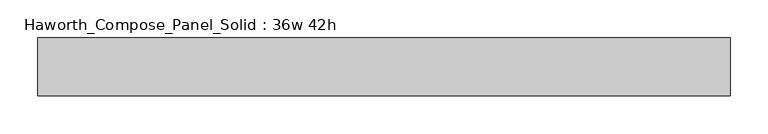
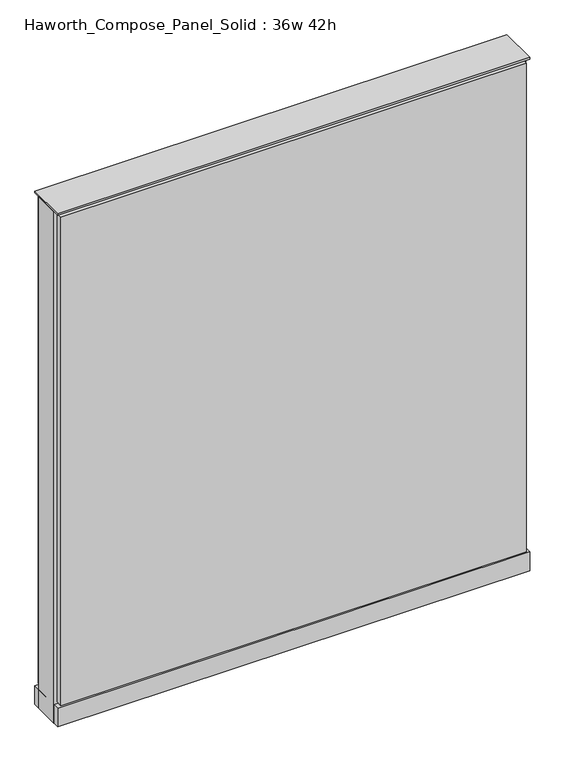
"""IFC4 building model written with IfcOpenShell, lengths in millimetres: furniture geometry, Haworth_Compose_Panel_Solid : 36w 42h."""

from ifc_helpers import new_model, si_unit, point, frame, frame_2d, origin, origin_with_axes, place, context, project, spatial, polyline, circle_curve, trimmed, segment, composite_curve, outline, extrude, source, transform, mapped, element, save


def haworth_compose_panel_solid_36w_42h_355fbeed(model_context):
    return source(origin(), model_context, "Body", "SweptSolid", [
        extrude(outline(composite_curve([segment(trimmed(circle_curve(frame_2d((-378.5597098, 0.0)), 12.7), [point((-391.2597098, 0.0))], [point((-365.8597098, 0.0))], False, "CARTESIAN"), True, "CONTINUOUS"), segment(trimmed(circle_curve(frame_2d((-378.5597098, 0.0)), 12.7), [point((-365.8597098, 0.0))], [point((-391.2597098, 0.0))], False, "CARTESIAN"), True, "CONTINUOUS")], self_intersect=False)), origin_with_axes(), (0.0, 0.0, 1.0), 12.7),
        extrude(outline(composite_curve([segment(trimmed(circle_curve(frame_2d((383.4402902, 0.0)), 12.7), [point((370.7402902, 0.0))], [point((396.1402902, 0.0))], False, "CARTESIAN"), True, "CONTINUOUS"), segment(trimmed(circle_curve(frame_2d((383.4402902, 0.0)), 12.7), [point((396.1402902, 0.0))], [point((370.7402902, 0.0))], False, "CARTESIAN"), True, "CONTINUOUS")], self_intersect=False)), origin_with_axes(), (0.0, 0.0, 1.0), 12.7),
        extrude(outline(polyline([(453.2902902, -38.1), (-448.4097098, -38.1), (-448.4097098, -25.4), (453.2902902, -25.4), (453.2902902, -38.1)])), frame((0.0, 0.0, 53.975), z_axis=(0.0, 0.0, 1.0), x_axis=(1.0, 0.0, 0.0)), (0.0, 0.0, 1.0), 1000.125),
        extrude(outline(polyline([(453.2902902, 38.1), (453.2902902, 25.4), (-448.4097098, 25.4), (-448.4097098, 38.1), (453.2902902, 38.1)])), frame((0.0, 0.0, 53.975), z_axis=(0.0, 0.0, 1.0), x_axis=(1.0, 0.0, 0.0)), (0.0, 0.0, 1.0), 1000.125),
        extrude(outline(polyline([(459.6402902, -25.4), (-454.7597098, -25.4), (-454.7597098, 25.4), (459.6402902, 25.4), (459.6402902, -25.4)])), frame((0.0, 0.0, 12.7), z_axis=(0.0, 0.0, 1.0), x_axis=(1.0, 0.0, 0.0)), (0.0, 0.0, 1.0), 1047.75),
        extrude(outline(polyline([(-454.7597098, 38.1), (459.6402902, 38.1), (459.6402902, -38.1), (-454.7597098, -38.1), (-454.7597098, 38.1)])), frame((0.0, 0.0, 12.7), z_axis=(0.0, 0.0, 1.0), x_axis=(1.0, 0.0, 0.0)), (0.0, 0.0, 1.0), 38.1),
        extrude(outline(polyline([(-454.7597098, 38.1), (459.6402902, 38.1), (459.6402902, -38.1), (-454.7597098, -38.1), (-454.7597098, 38.1)])), frame((0.0, 0.0, 1060.45), z_axis=(0.0, 0.0, 1.0), x_axis=(1.0, 0.0, 0.0)), (0.0, 0.0, 1.0), 3.175),
    ])


if __name__ == "__main__":
    model = new_model("IFC4")
    model_context = context("Model", 3, world=origin())
    ifc_project = project(units=[si_unit("LENGTHUNIT", "METRE", prefix="MILLI")], contexts=[model_context])
    site = spatial("IfcSite", under=ifc_project)
    building = spatial("IfcBuilding", under=site)
    placement = place(None, origin())
    haworth_compose_panel_solid_36w_42h_shape = haworth_compose_panel_solid_36w_42h_355fbeed(model_context)
    element("IfcFurniture", 1, ObjectType="Haworth_Compose_Panel_Solid : 36w 42h", at=placement, inside=building, context=model_context, shape_type="MappedRepresentation", body=[
        mapped(haworth_compose_panel_solid_36w_42h_shape, transform((0.0, 0.0, 0.0), x_axis=(1.0, 0.0, 0.0), y_axis=(0.0, 1.0, 0.0), z_axis=(0.0, 0.0, 1.0))),
    ])
    save(model, "model.ifc")
